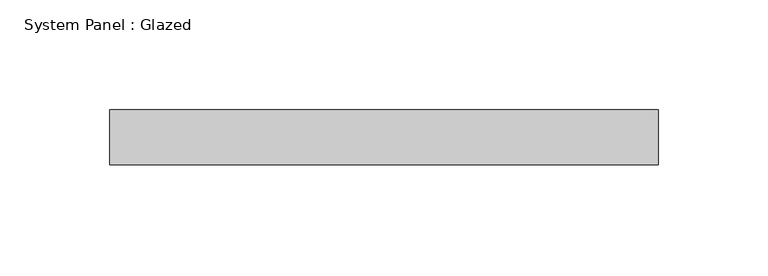
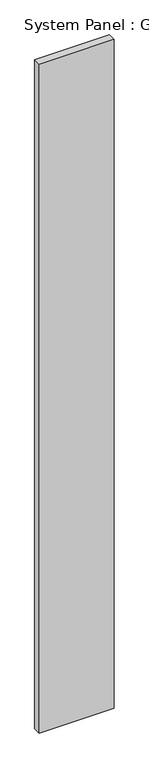
"""IFC4 building model written with IfcOpenShell, lengths in millimetres: plate geometry, System Panel : Glazed."""

from ifc_helpers import new_model, si_unit, origin, origin_with_axes, place, context, project, spatial, polyline, outline, extrude, source, transform, mapped, element, save


def system_panel_glazed_c46333fd(model_context):
    return source(origin(), model_context, "Body", "SweptSolid", [
        extrude(outline(polyline([(124.5771004, -49.5), (-124.5771004, -49.5), (-124.5771004, -24.5), (124.5771004, -24.5), (124.5771004, -49.5)])), origin_with_axes(), (0.0, 0.0, 1.0), 2350.0),
    ])


if __name__ == "__main__":
    model = new_model("IFC4")
    model_context = context("Model", 3, world=origin())
    ifc_project = project(units=[si_unit("LENGTHUNIT", "METRE", prefix="MILLI")], contexts=[model_context])
    site = spatial("IfcSite", under=ifc_project)
    building = spatial("IfcBuilding", under=site)
    placement = place(None, origin())
    system_panel_glazed_shape = system_panel_glazed_c46333fd(model_context)
    element("IfcPlate", 1, ObjectType="System Panel : Glazed", at=placement, inside=building, context=model_context, shape_type="MappedRepresentation", body=[
        mapped(system_panel_glazed_shape, transform((0.0, 0.0, 0.0), x_axis=(1.0, 0.0, 0.0), y_axis=(0.0, 1.0, 0.0), z_axis=(0.0, 0.0, 1.0))),
    ])
    save(model, "model.ifc")
